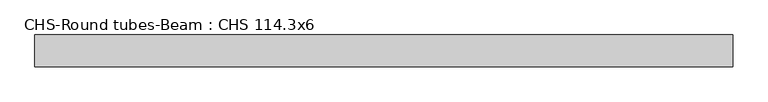
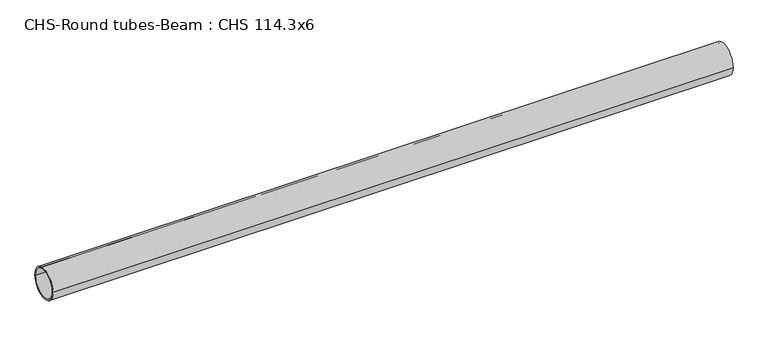
"""IFC4 building model written with IfcOpenShell, lengths in millimetres: beam geometry, CHS-Round tubes-Beam : CHS 114.3x6."""

from ifc_helpers import new_model, si_unit, point, frame, origin, origin_2d, place, context, project, spatial, circle_curve, trimmed, segment, composite_curve, outline, extrude, source, transform, mapped, element, save


def chs_round_tubes_beam_chs_114_3x6_fc71dd62(model_context):
    return source(origin(), model_context, "Body", "SweptSolid", [
        extrude(outline(composite_curve([segment(trimmed(circle_curve(origin_2d(), 57.15), [point((57.15, 0.0))], [point((-57.15, 0.0))], False, "CARTESIAN"), True, "CONTINUOUS"), segment(trimmed(circle_curve(origin_2d(), 57.15), [point((-57.15, 0.0))], [point((57.15, 0.0))], False, "CARTESIAN"), True, "CONTINUOUS")], self_intersect=False), holes=[composite_curve([segment(trimmed(circle_curve(origin_2d(), 51.15), [point((51.15, 0.0))], [point((-51.15, 0.0))], True, "CARTESIAN"), True, "CONTINUOUS"), segment(trimmed(circle_curve(origin_2d(), 51.15), [point((-51.15, 0.0))], [point((51.15, 0.0))], True, "CARTESIAN"), True, "CONTINUOUS")], self_intersect=False)]), frame((-1192.1185301, 0.0, 0.0), z_axis=(1.0, 0.0, 0.0), x_axis=(0.0, 1.0, 0.0)), (0.0, 0.0, 1.0), 2491.595867),
    ])


if __name__ == "__main__":
    model = new_model("IFC4")
    model_context = context("Model", 3, world=origin())
    ifc_project = project(units=[si_unit("LENGTHUNIT", "METRE", prefix="MILLI")], contexts=[model_context])
    site = spatial("IfcSite", under=ifc_project)
    building = spatial("IfcBuilding", under=site)
    placement = place(None, origin())
    chs_round_tubes_beam_chs_114_3x6_shape = chs_round_tubes_beam_chs_114_3x6_fc71dd62(model_context)
    element("IfcBeam", 1, ObjectType="CHS-Round tubes-Beam : CHS 114.3x6", at=placement, inside=building, context=model_context, shape_type="MappedRepresentation", body=[
        mapped(chs_round_tubes_beam_chs_114_3x6_shape, transform((0.0, 0.0, 0.0), x_axis=(1.0, 0.0, 0.0), y_axis=(0.0, 1.0, 0.0), z_axis=(0.0, 0.0, 1.0))),
    ])
    save(model, "model.ifc")
